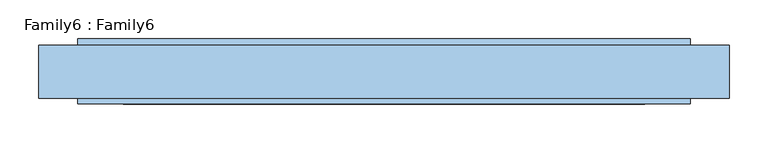
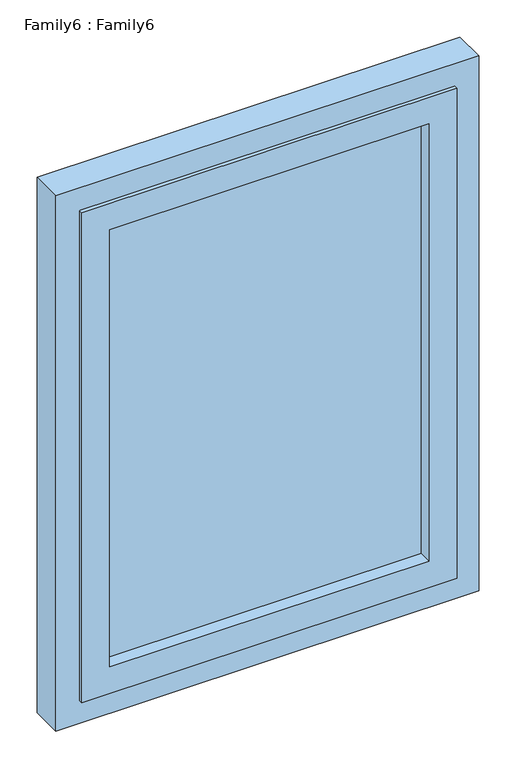
"""IFC4 building model written with IfcOpenShell, lengths in millimetres: window geometry, Family6 : Family6."""

from ifc_helpers import new_model, si_unit, frame, origin, place, context, project, spatial, polyline, outline, extrude, source, transform, mapped, element, save


def family6_family6_43c4ff80(model_context):
    return source(origin(), model_context, "Body", "SweptSolid", [
        extrude(outline(polyline([(336.0, 14.0), (336.0, 10.0), (-336.0, 10.0), (-336.0, 14.0), (336.0, 14.0)])), frame((0.0, 0.0, 909.0), z_axis=(0.0, 0.0, 1.0), x_axis=(1.0, 0.0, 0.0)), (0.0, 0.0, 1.0), 972.0),
        extrude(outline(polyline([(-336.0, -10.0), (336.0, -10.0), (336.0, -14.0), (-336.0, -14.0), (-336.0, -10.0)])), frame((0.0, 0.0, 909.0), z_axis=(0.0, 0.0, 1.0), x_axis=(1.0, 0.0, 0.0)), (0.0, 0.0, 1.0), 972.0),
        extrude(outline(polyline([(1940.0, 395.0), (1940.0, -395.0), (850.0, -395.0), (850.0, 395.0), (1940.0, 395.0)]), holes=[polyline([(909.0, 336.0), (909.0, -336.0), (1881.0, -336.0), (1881.0, 336.0), (909.0, 336.0)])]), frame((0.0, -42.0, 0.0), z_axis=(0.0, 1.0, 0.0), x_axis=(0.0, 0.0, 1.0)), (0.0, 0.0, 1.0), 84.0),
        extrude(outline(polyline([(1990.0, 445.0), (1990.0, -445.0), (800.0, -445.0), (800.0, 445.0), (1990.0, 445.0)]), holes=[polyline([(850.0, 395.0), (850.0, -395.0), (1940.0, -395.0), (1940.0, 395.0), (850.0, 395.0)])]), frame((0.0, -34.5705839, 0.0), z_axis=(0.0, 1.0, 0.0), x_axis=(0.0, 0.0, 1.0)), (0.0, 0.0, 1.0), 68.0514986),
    ])


if __name__ == "__main__":
    model = new_model("IFC4")
    model_context = context("Model", 3, world=origin())
    ifc_project = project(units=[si_unit("LENGTHUNIT", "METRE", prefix="MILLI")], contexts=[model_context])
    site = spatial("IfcSite", under=ifc_project)
    building = spatial("IfcBuilding", under=site)
    placement = place(None, origin())
    family6_family6_shape = family6_family6_43c4ff80(model_context)
    element("IfcWindow", 1, ObjectType="Family6 : Family6", at=placement, inside=building, context=model_context, shape_type="MappedRepresentation", body=[
        mapped(family6_family6_shape, transform((0.0, 0.0, 0.0), x_axis=(1.0, 0.0, 0.0), y_axis=(0.0, 1.0, 0.0), z_axis=(0.0, 0.0, 1.0))),
    ])
    save(model, "model.ifc")
